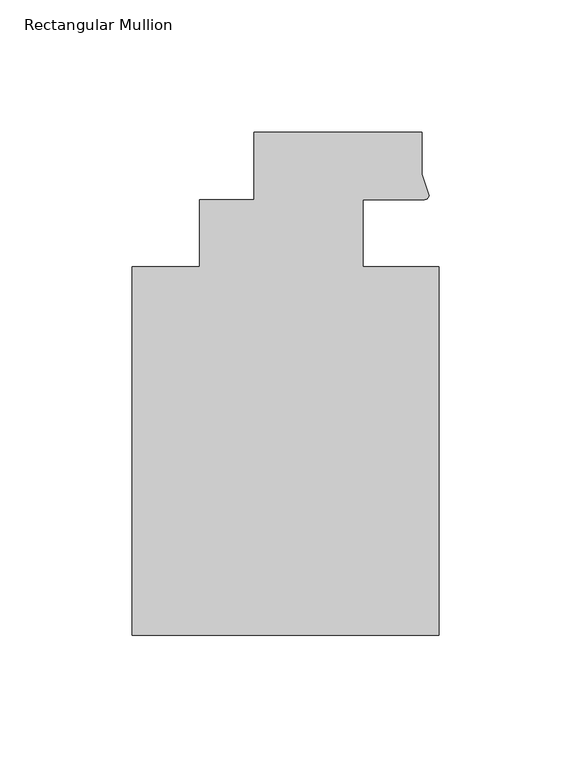
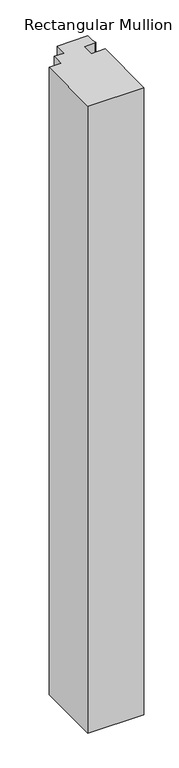
"""IFC4 building model written with IfcOpenShell, lengths in millimetres: member geometry, Rectangular Mullion."""

from ifc_helpers import new_model, si_unit, point, frame, frame_2d, origin, place, context, project, spatial, polyline, circle_curve, trimmed, segment, composite_curve, outline, extrude, source, transform, mapped, element, save


def rectangular_mullion_63b7aef9(model_context):
    return source(origin(), model_context, "Body", "SweptSolid", [
        extrude(outline(composite_curve([segment(polyline([(48.2997293, 12.7000881), (25.0401592, 12.7000881), (25.0401592, -12.7), (53.615046, -12.7), (53.615046, -151.892), (-62.2957636, -151.892), (-62.2957636, -12.7), (-36.8958768, -12.7), (-36.8958768, 12.7), (-16.234954, 12.7), (-16.234954, 38.1), (47.265046, 38.1), (47.265046, 22.2250977), (49.9159011, 14.2884292)]), True, "CONTINUOUS"), segment(trimmed(circle_curve(frame_2d((48.2162832, 14.401412)), 1.703369), [point((49.9159011, 14.2884292))], [point((48.2997293, 12.7000881))], False, "CARTESIAN"), True, "CONTINUOUS")], self_intersect=False)), frame((0.0, 0.0, -1373.7055615), z_axis=(0.0, 0.0, 1.0), x_axis=(1.0, 0.0, 0.0)), (0.0, 0.0, 1.0), 1373.7055615),
    ])


if __name__ == "__main__":
    model = new_model("IFC4")
    model_context = context("Model", 3, world=origin())
    ifc_project = project(units=[si_unit("LENGTHUNIT", "METRE", prefix="MILLI")], contexts=[model_context])
    site = spatial("IfcSite", under=ifc_project)
    building = spatial("IfcBuilding", under=site)
    placement = place(None, origin())
    rectangular_mullion_shape = rectangular_mullion_63b7aef9(model_context)
    element("IfcMember", 1, ObjectType="Rectangular Mullion", at=placement, inside=building, context=model_context, shape_type="MappedRepresentation", body=[
        mapped(rectangular_mullion_shape, transform((0.0, 0.0, 0.0), x_axis=(1.0, 0.0, 0.0), y_axis=(0.0, 1.0, 0.0), z_axis=(0.0, 0.0, 1.0))),
    ])
    save(model, "model.ifc")
